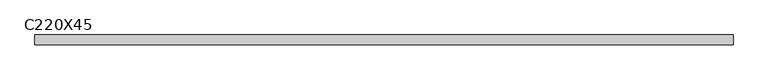
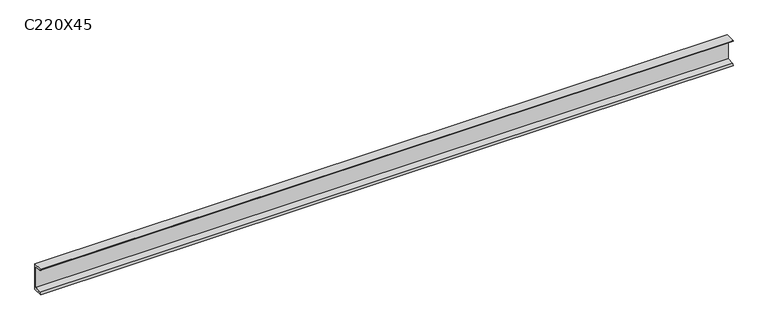
"""IFC4 building model written with IfcOpenShell, lengths in millimetres: beam geometry, C220X45."""

from ifc_helpers import new_model, si_unit, point, frame, frame_2d, origin, place, context, project, spatial, polyline, circle_curve, trimmed, segment, composite_curve, outline, extrude, source, transform, mapped, element, save


def c220x45_4d9ffabe(model_context):
    return source(origin(), model_context, "Body", "SweptSolid", [
        extrude(outline(composite_curve([segment(polyline([(17.0, 110.0), (17.0, -110.0), (-64.0, -110.0)]), True, "CONTINUOUS"), segment(trimmed(circle_curve(frame_2d((-51.0, -110.0)), 13.0), [point((-64.0, -110.0))], [point((-51.0, -97.0))], False, "CARTESIAN"), True, "CONTINUOUS"), segment(polyline([(-51.0, -97.0), (4.0, -88.2888558), (4.0, 88.2888558), (-51.0, 97.0)]), True, "CONTINUOUS"), segment(trimmed(circle_curve(frame_2d((-51.0, 110.0)), 13.0), [point((-51.0, 97.0))], [point((-64.0, 110.0))], False, "CARTESIAN"), True, "CONTINUOUS"), segment(polyline([(-64.0, 110.0), (17.0, 110.0)]), True, "CONTINUOUS")], self_intersect=False)), frame((-2850.0, 0.0, 0.0), z_axis=(1.0, 0.0, 0.0), x_axis=(0.0, 1.0, 0.0)), (0.0, 0.0, 1.0), 5700.0),
    ])


if __name__ == "__main__":
    model = new_model("IFC4")
    model_context = context("Model", 3, world=origin())
    ifc_project = project(units=[si_unit("LENGTHUNIT", "METRE", prefix="MILLI")], contexts=[model_context])
    site = spatial("IfcSite", under=ifc_project)
    building = spatial("IfcBuilding", under=site)
    placement = place(None, origin())
    c220x45_shape = c220x45_4d9ffabe(model_context)
    element("IfcBeam", 1, ObjectType="C220X45", at=placement, inside=building, context=model_context, shape_type="MappedRepresentation", body=[
        mapped(c220x45_shape, transform((0.0, 0.0, 0.0), x_axis=(1.0, 0.0, 0.0), y_axis=(0.0, 1.0, 0.0), z_axis=(0.0, 0.0, 1.0))),
    ])
    save(model, "model.ifc")
